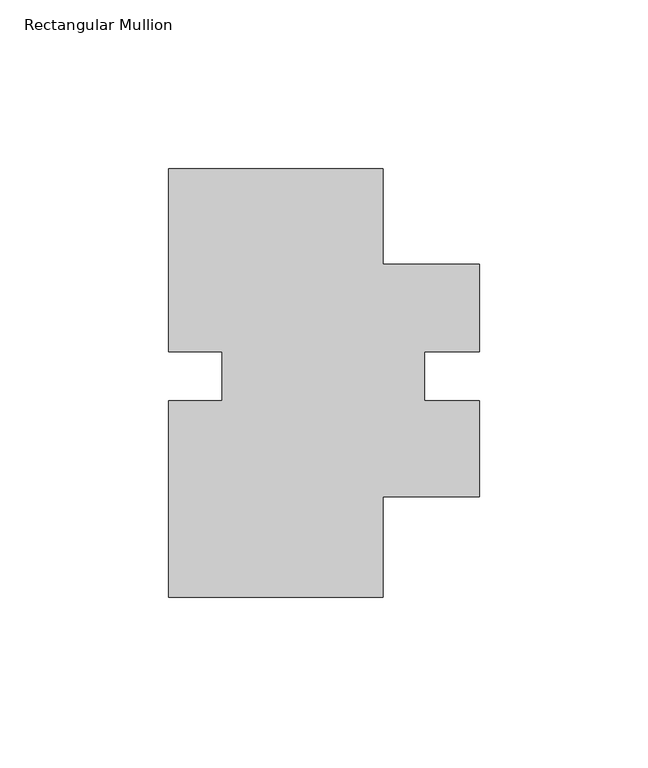
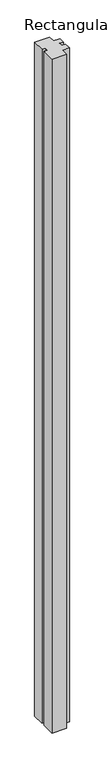
"""IFC4 building model written with IfcOpenShell, lengths in millimetres: member geometry, Rectangular Mullion."""

import ifcopenshell
import ifcopenshell.guid

model = None  # the IFC model being written
_history = None  # IfcOwnerHistory: only IFC2X3 demands one
_inside = {}  # id of a spatial element -> (the spatial element, [elements in it])
_under = {}  # id of a project, library or spatial element -> (it, [spatial elements below it])
_declared = {}  # id of a project -> (the project, [libraries it declares])
_typed = {}  # id of a type object -> (the type object, [elements of that type])
_made_of = {}  # id of a material, layer set ... -> (it, [elements and type objects made of it])


def new_model(schema):
    """Start an empty IFC model of exactly this schema.

    Asked for "IFC4X3", IfcOpenShell would pick the latest addendum, in which some entities
    have other attributes; the version numbers below select the first issue.
    IFC2X3 requires an IfcOwnerHistory on every rooted entity: one is made here for all.
    """
    global model, _history
    if schema == "IFC4X3":
        model = ifcopenshell.file(schema_version=(4, 3, 0, 0))
    else:
        model = ifcopenshell.file(schema=schema)
    _inside.clear()
    _under.clear()
    _declared.clear()
    _typed.clear()
    _made_of.clear()
    _history = None
    if model.schema == "IFC2X3":
        org = make("IfcOrganization", Name="unknown")
        user = make(
            "IfcPersonAndOrganization",
            ThePerson=make("IfcPerson", FamilyName="unknown"),
            TheOrganization=org,
        )
        app = make(
            "IfcApplication",
            ApplicationDeveloper=org,
            Version="unknown",
            ApplicationFullName="unknown",
            ApplicationIdentifier="unknown",
        )
        _history = make(
            "IfcOwnerHistory",
            OwningUser=user,
            OwningApplication=app,
            ChangeAction="ADDED",
            CreationDate=0,
        )
    return model


def make(cls, **values):
    """One entity of the class cls with the attributes given. An attribute that is None is left unset."""
    return model.create_entity(
        cls, **{name: value for name, value in values.items() if value is not None}
    )


def rooted(cls, **values):
    """An entity with a GlobalId (a new one), such as an element, a storey or a relation."""
    return make(cls, GlobalId=ifcopenshell.guid.new(), OwnerHistory=_history, **values)


def si_unit(unit_type, name, prefix=None):
    """IfcSIUnit, for example si_unit("LENGTHUNIT", "METRE", prefix="MILLI")."""
    return make("IfcSIUnit", UnitType=unit_type, Prefix=prefix, Name=name)


def assignment(units):
    """IfcUnitAssignment: the units of a project."""
    return None if units is None else make("IfcUnitAssignment", Units=units)


def point(xyz):
    """IfcCartesianPoint."""
    return None if xyz is None else make("IfcCartesianPoint", Coordinates=xyz)


def direction(xyz):
    """IfcDirection."""
    return None if xyz is None else make("IfcDirection", DirectionRatios=xyz)


def frame(location, z_axis=None, x_axis=None):
    """IfcAxis2Placement3D, a coordinate frame: its origin and axes. An axis left out is left unset."""
    return make(
        "IfcAxis2Placement3D",
        Location=point(location),
        Axis=direction(z_axis),
        RefDirection=direction(x_axis),
    )


def origin():
    """The frame at (0, 0, 0) with its axes left unset."""
    return frame((0.0, 0.0, 0.0))


def place(relative_to, where):
    """IfcLocalPlacement: puts the frame where relative to a parent placement (None: the world)."""
    return make(
        "IfcLocalPlacement", PlacementRelTo=relative_to, RelativePlacement=where
    )


def context(
    kind, dimensions, precision=None, world=None, true_north=None, identifier=None
):
    """IfcGeometricRepresentationContext, for example the 3D "Model" context."""
    return make(
        "IfcGeometricRepresentationContext",
        ContextIdentifier=identifier,
        ContextType=kind,
        CoordinateSpaceDimension=dimensions,
        Precision=precision,
        WorldCoordinateSystem=world,
        TrueNorth=true_north,
    )


def project(units=None, contexts=None):
    """IfcProject with its units and contexts."""
    return rooted(
        "IfcProject",
        Name="project",
        RepresentationContexts=contexts,
        UnitsInContext=assignment(units),
    )


def spatial(cls, under=None, at=None, **own):
    """A site, building, storey or space (cls), placed at a placement, below another one or the project."""
    s = rooted(cls, ObjectPlacement=at, **own)
    if under is not None:
        _under.setdefault(under.id(), (under, []))[1].append(s)
    return s


def polyline(points):
    """IfcPolyline through the points."""
    return make("IfcPolyline", Points=[point(p) for p in points])


def outline(outer, holes=None, kind="AREA"):
    """IfcArbitraryClosedProfileDef: a profile drawn as a closed curve; with holes, ...WithVoids."""
    if holes is None:
        return make("IfcArbitraryClosedProfileDef", ProfileType=kind, OuterCurve=outer)
    return make(
        "IfcArbitraryProfileDefWithVoids",
        ProfileType=kind,
        OuterCurve=outer,
        InnerCurves=holes,
    )


def extrude(swept, where, along, depth):
    """IfcExtrudedAreaSolid: the profile swept, set in the frame where, extruded along a direction by depth."""
    return make(
        "IfcExtrudedAreaSolid",
        SweptArea=swept,
        Position=where,
        ExtrudedDirection=direction(along),
        Depth=depth,
    )


def shape(context_of_items, identifier, shape_type, items):
    """IfcShapeRepresentation: the items that make up one representation, for example the "Body"."""
    return make(
        "IfcShapeRepresentation",
        ContextOfItems=context_of_items,
        RepresentationIdentifier=identifier,
        RepresentationType=shape_type,
        Items=items,
    )


def source(mapping_origin, context_of_items, identifier, shape_type, items):
    """IfcRepresentationMap: a shape defined once, which mapped items show again and again."""
    return make(
        "IfcRepresentationMap",
        MappingOrigin=mapping_origin,
        MappedRepresentation=shape(context_of_items, identifier, shape_type, items),
    )


def transform(
    local_origin,
    x_axis=None,
    y_axis=None,
    z_axis=None,
    scale=None,
    scale2=None,
    scale3=None,
    uniform=True,
):
    """IfcCartesianTransformationOperator3D, or its non-uniform kind. x_axis, y_axis, z_axis: its Axis1, 2, 3."""
    if uniform:
        return make(
            "IfcCartesianTransformationOperator3D",
            Axis1=direction(x_axis),
            Axis2=direction(y_axis),
            LocalOrigin=point(local_origin),
            Scale=scale,
            Axis3=direction(z_axis),
        )
    return make(
        "IfcCartesianTransformationOperator3DnonUniform",
        Axis1=direction(x_axis),
        Axis2=direction(y_axis),
        LocalOrigin=point(local_origin),
        Scale=scale,
        Axis3=direction(z_axis),
        Scale2=scale2,
        Scale3=scale3,
    )


def mapped(mapping_source, mapping_target):
    """IfcMappedItem: shows the shape of a source again, moved by a transform."""
    return make(
        "IfcMappedItem", MappingSource=mapping_source, MappingTarget=mapping_target
    )


def made_of(thing, what):
    """Note that an element or type object is made of a material, layer set ...; save() writes the relation."""
    if what is not None:
        _made_of.setdefault(what.id(), (what, []))[1].append(thing)
    return thing


def element(
    cls,
    number,
    at=None,
    inside=None,
    cuts=None,
    type_object=None,
    material=None,
    context=None,
    identifier="Body",
    shape_type=None,
    held_by="IfcProductDefinitionShape",
    body=None,
    shapes=None,
    **own,
):
    """One element of the class cls, such as IfcWall. Its Tag is "e" and its number.

    at: its placement. inside: the storey or other place that contains it. cuts: it is an
    opening in that element (IfcRelVoidsElement). A single representation is given by context,
    identifier, shape_type and body (its items); several are given by shapes. held_by: the class
    of the entity that holds the representations. save() writes the other relations.
    """
    e = rooted(cls, Tag="e%d" % number, ObjectPlacement=at, **own)
    if body is not None:
        shapes = [shape(context, identifier, shape_type, body)]
    if shapes is not None:
        e.Representation = make(held_by, Representations=shapes)
    if inside is not None:
        _inside.setdefault(inside.id(), (inside, []))[1].append(e)
    if cuts is not None:
        rooted(
            "IfcRelVoidsElement", RelatingBuildingElement=cuts, RelatedOpeningElement=e
        )
    if type_object is not None:
        _typed.setdefault(type_object.id(), (type_object, []))[1].append(e)
    return made_of(e, material)


def aggregate(whole, parts):
    """IfcRelAggregates: a whole, such as a stair, and the parts it consists of."""
    return rooted("IfcRelAggregates", RelatingObject=whole, RelatedObjects=parts)


def save(model, path):
    """Write the relations noted so far, then the file.

    IfcRelAggregates (storeys below a building ...), IfcRelContainedInSpatialStructure (elements
    in a storey), IfcRelDefinesByType, IfcRelAssociatesMaterial and IfcRelDeclares: one each for
    every whole, place, type object, material and project.
    """
    for whole, parts in _under.values():
        aggregate(whole, parts)
    for where, things in _inside.values():
        rooted(
            "IfcRelContainedInSpatialStructure",
            RelatedElements=things,
            RelatingStructure=where,
        )
    for kind, things in _typed.values():
        rooted("IfcRelDefinesByType", RelatedObjects=things, RelatingType=kind)
    for what, things in _made_of.values():
        rooted("IfcRelAssociatesMaterial", RelatedObjects=things, RelatingMaterial=what)
    for by, libraries in _declared.values():
        rooted("IfcRelDeclares", RelatingContext=by, RelatedDefinitions=libraries)
    model.write(path)


def rectangular_mullion_7c61db7c(model_context):
    return source(origin(), model_context, "Body", "SweptSolid", [
        extrude(outline(polyline([(-28.575, -127.1513729), (-92.075, -127.1513729), (-92.075, -68.8641647), (-76.196042, -68.8641647), (-76.196042, -54.3676729), (-92.075, -54.3676729), (-92.075, -0.1513729), (-28.575, -0.1513729), (-28.575, -28.4380129), (0.0, -28.4380129), (0.0, -54.3676729), (-16.17345, -54.3676729), (-16.17345, -68.8295676), (0.0, -68.8295676), (0.0, -97.2809729), (-28.575, -97.2809729), (-28.575, -127.1513729)])), frame((0.0, 0.0, -3048.0), z_axis=(0.0, 0.0, 1.0), x_axis=(1.0, 0.0, 0.0)), (0.0, 0.0, 1.0), 3048.0),
    ])


if __name__ == "__main__":
    model = new_model("IFC4")
    model_context = context("Model", 3, world=origin())
    ifc_project = project(units=[si_unit("LENGTHUNIT", "METRE", prefix="MILLI")], contexts=[model_context])
    site = spatial("IfcSite", under=ifc_project)
    building = spatial("IfcBuilding", under=site)
    placement = place(None, origin())
    rectangular_mullion_shape = rectangular_mullion_7c61db7c(model_context)
    element("IfcMember", 1, ObjectType="Rectangular Mullion", at=placement, inside=building, context=model_context, shape_type="MappedRepresentation", body=[
        mapped(rectangular_mullion_shape, transform((0.0, 0.0, 0.0), x_axis=(1.0, 0.0, 0.0), y_axis=(0.0, 1.0, 0.0), z_axis=(0.0, 0.0, 1.0))),
    ])
    save(model, "model.ifc")
